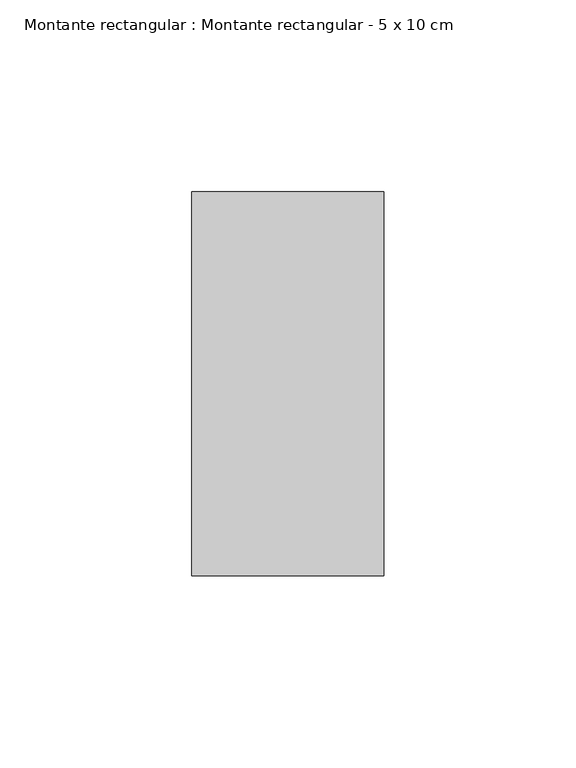
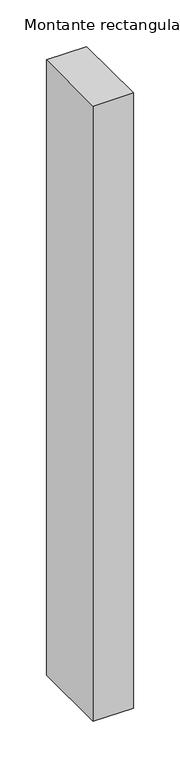
"""IFC4 building model written with IfcOpenShell, lengths in millimetres: member geometry, Montante rectangular : Montante rectangular - 5 x 10 cm."""

from ifc_helpers import new_model, si_unit, frame, origin, place, context, project, spatial, polyline, outline, extrude, source, transform, mapped, element, save


def montante_rectangular_montante_rectangular_5_x_10_cm_71963eb3(model_context):
    return source(origin(), model_context, "Body", "SweptSolid", [
        extrude(outline(polyline([(0.0, 50.0), (0.0, -50.0), (-50.0, -50.0), (-50.0, 50.0), (0.0, 50.0)])), frame((0.0, 0.0, -805.5531804), z_axis=(0.0, 0.0, 1.0), x_axis=(1.0, 0.0, 0.0)), (0.0, 0.0, 1.0), 805.5531804),
    ])


if __name__ == "__main__":
    model = new_model("IFC4")
    model_context = context("Model", 3, world=origin())
    ifc_project = project(units=[si_unit("LENGTHUNIT", "METRE", prefix="MILLI")], contexts=[model_context])
    site = spatial("IfcSite", under=ifc_project)
    building = spatial("IfcBuilding", under=site)
    placement = place(None, origin())
    montante_rectangular_montante_rectangular_5_x_10_cm_shape = montante_rectangular_montante_rectangular_5_x_10_cm_71963eb3(model_context)
    element("IfcMember", 1, ObjectType="Montante rectangular : Montante rectangular - 5 x 10 cm", at=placement, inside=building, context=model_context, shape_type="MappedRepresentation", body=[
        mapped(montante_rectangular_montante_rectangular_5_x_10_cm_shape, transform((0.0, 0.0, 0.0), x_axis=(1.0, 0.0, 0.0), y_axis=(0.0, 1.0, 0.0), z_axis=(0.0, 0.0, 1.0))),
    ])
    save(model, "model.ifc")
